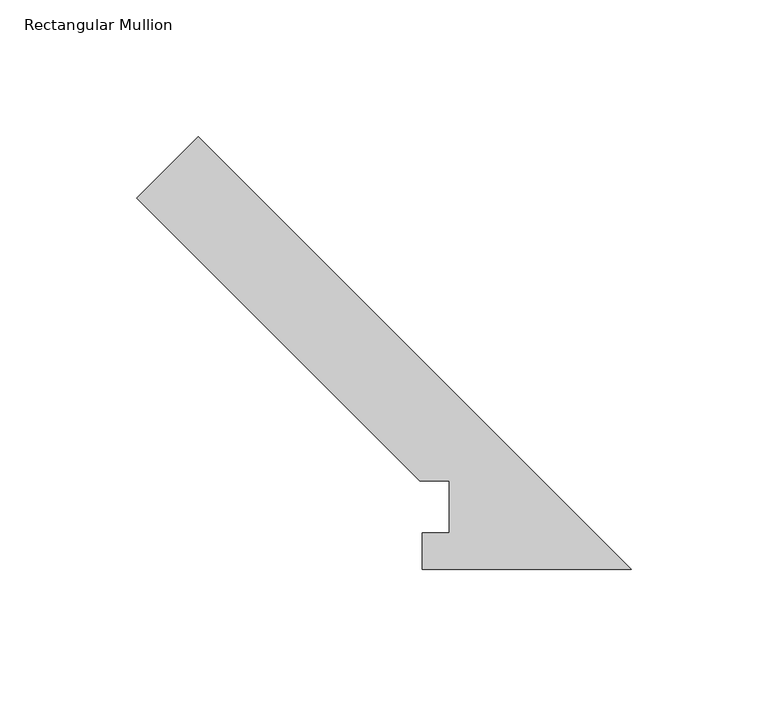
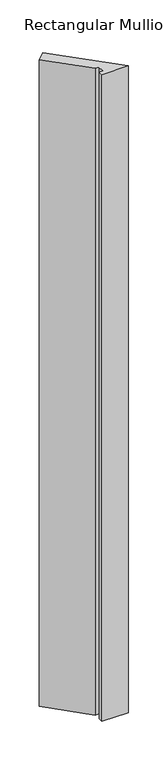
"""IFC4 building model written with IfcOpenShell, lengths in millimetres: member geometry, Rectangular Mullion."""

from ifc_helpers import new_model, si_unit, frame, origin, place, context, project, spatial, polyline, outline, extrude, source, transform, mapped, element, save


def rectangular_mullion_9f9823e8(model_context):
    return source(origin(), model_context, "Body", "SweptSolid", [
        extrude(outline(polyline([(-157.9703056, 157.98764), (0.0, 0.0173344), (-76.2185525, 0.0173344), (-76.2185525, 13.1903275), (-66.4696778, 13.1903275), (-66.4696778, 32.2460937), (-77.13004, 32.2460937), (-180.4209459, 135.5369997), (-157.9703056, 157.98764)])), frame((0.0, 0.0, -1993.9), z_axis=(0.0, 0.0, 1.0), x_axis=(1.0, 0.0, 0.0)), (0.0, 0.0, 1.0), 1993.9),
    ])


if __name__ == "__main__":
    model = new_model("IFC4")
    model_context = context("Model", 3, world=origin())
    ifc_project = project(units=[si_unit("LENGTHUNIT", "METRE", prefix="MILLI")], contexts=[model_context])
    site = spatial("IfcSite", under=ifc_project)
    building = spatial("IfcBuilding", under=site)
    placement = place(None, origin())
    rectangular_mullion_shape = rectangular_mullion_9f9823e8(model_context)
    element("IfcMember", 1, ObjectType="Rectangular Mullion", at=placement, inside=building, context=model_context, shape_type="MappedRepresentation", body=[
        mapped(rectangular_mullion_shape, transform((0.0, 0.0, 0.0), x_axis=(1.0, 0.0, 0.0), y_axis=(0.0, 1.0, 0.0), z_axis=(0.0, 0.0, 1.0))),
    ])
    save(model, "model.ifc")
